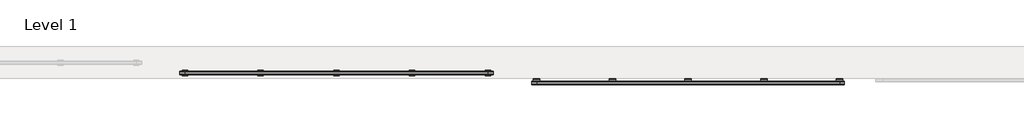
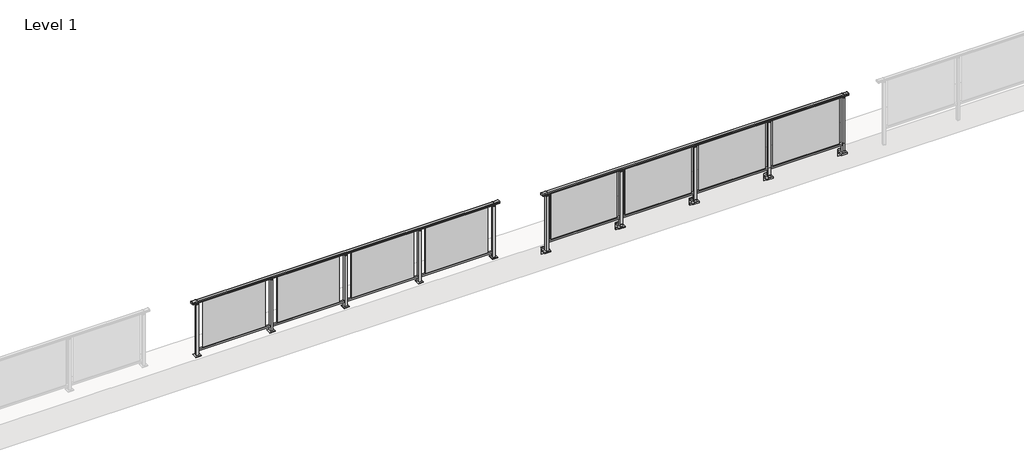
# One storey, part 42 of 64: 2 railings.
"""IFC4 building model written with IfcOpenShell, lengths in millimetres."""

from ifc_helpers import new_model, si_unit, point, frame, frame_2d, origin, origin_with_axes, place, context, project, spatial, polyline, circle_curve, trimmed, segment, composite_curve, outline, extrude, element, save
from ifc_brep_helpers import plane_surface, cylinder_surface, revolved_surface, advanced_brep

model = new_model("IFC4")

# Units and contexts
model_context = context("Model", 3, world=origin())
ifc_project = project(units=[si_unit("LENGTHUNIT", "METRE", prefix="MILLI")], contexts=[model_context])

# Site, building, storey
site = spatial("IfcSite", under=ifc_project)
building = spatial("IfcBuilding", under=site)
storey = spatial("IfcBuildingStorey", under=building, Name="Level 1", Elevation=0.0)

# Railings
placement = place(None, origin())
element("IfcRailing", 1, at=placement, inside=storey, context=model_context, shape_type="SolidModel", body=[
    advanced_brep(
    [(42910.0, 14842.8633756, 1095.6691182), (42910.0, 14847.6846828, 1081.1334092), (42910.0, 14846.7413744, 1069.2539035), (42910.0, 14848.6364177, 1061.4863007), (42910.0, 14846.9894799, 1060.384124), (42910.0, 14846.9894799, 1062.0), (42910.0, 14788.3798858, 1062.0), (42910.0, 14788.3798858, 1060.384124), (42910.0, 14786.732948, 1061.4863007), (42910.0, 14788.6279912, 1069.2539035), (42910.0, 14787.6846828, 1081.1334092), (42910.0, 14792.50599, 1095.6691182), (48690.0, 14842.8633756, 1095.6691182), (48690.0, 14792.50599, 1095.6691182), (48690.0, 14787.6846828, 1081.1334092), (48690.0, 14788.6279912, 1069.2539035), (48690.0, 14786.732948, 1061.4863007), (48690.0, 14788.3798858, 1060.384124), (48690.0, 14788.3798858, 1062.0), (48690.0, 14846.9894799, 1062.0), (48690.0, 14846.9894799, 1060.384124), (48690.0, 14848.6364177, 1061.4863007), (48690.0, 14846.7413744, 1069.2539035), (48690.0, 14847.6846828, 1081.1334092), (43000.0, 14842.8633756, 1095.6691182), (43000.0, 14847.6846828, 1081.1334092), (43000.0, 14846.7413744, 1069.2539035), (43000.0, 14848.6364177, 1061.4863007), (43000.0, 14846.9894799, 1060.384124), (43000.0, 14846.9894799, 1062.0), (43000.0, 14788.3798858, 1062.0), (43000.0, 14788.3798858, 1060.384124), (43000.0, 14786.732948, 1061.4863007), (43000.0, 14788.6279912, 1069.2539035), (43000.0, 14787.6846828, 1081.1334092), (43000.0, 14792.50599, 1095.6691182), (48600.0, 14842.8633756, 1095.6691182), (48600.0, 14847.6846828, 1081.1334092), (48600.0, 14846.7413744, 1069.2539035), (48600.0, 14848.6364177, 1061.4863007), (48600.0, 14846.9894799, 1060.384124), (48600.0, 14846.9894799, 1062.0), (48600.0, 14788.3798858, 1062.0), (48600.0, 14788.3798858, 1060.384124), (48600.0, 14786.732948, 1061.4863007), (48600.0, 14788.6279912, 1069.2539035), (48600.0, 14787.6846828, 1081.1334092), (48600.0, 14792.50599, 1095.6691182)],
    [
        (0, 1, circle_curve(frame((42910.0, 14839.6223845, 1086.526686), z_axis=(-1.0, 0.0, 0.0), x_axis=(0.0, -1.0, 0.0)), 9.6999015)),
        (1, 2, circle_curve(frame((42910.0, 14865.2252545, 1073.7633709), z_axis=(1.0, 0.0, 0.0), x_axis=(0.0, -1.0, 0.0)), 19.0260117)),
        (2, 3),
        (3, 4, circle_curve(frame((42910.0, 14847.7772073, 1060.9886194), z_axis=(-1.0, 0.0, 0.0), x_axis=(0.0, -1.0, 0.0)), 0.9929396)),
        (4, 5),
        (5, 6),
        (6, 7),
        (7, 8, circle_curve(frame((42910.0, 14787.5921584, 1060.9886194), z_axis=(-1.0, 0.0, 0.0), x_axis=(0.0, 1.0, 0.0)), 0.9929396)),
        (8, 9),
        (9, 10, circle_curve(frame((42910.0, 14770.1441111, 1073.7633709), z_axis=(1.0, 0.0, 0.0), x_axis=(0.0, 1.0, 0.0)), 19.0260117)),
        (10, 11, circle_curve(frame((42910.0, 14795.7469812, 1086.526686), z_axis=(-1.0, 0.0, 0.0), x_axis=(0.0, 1.0, 0.0)), 9.6999015)),
        (11, 0, circle_curve(frame((42910.0, 14817.6846828, 1024.6431628), z_axis=(-1.0, 0.0, 0.0), x_axis=(0.0, 1.0, 0.0)), 75.3568372)),
        (12, 13, circle_curve(frame((48690.0, 14817.6846828, 1024.6431628), z_axis=(1.0, 0.0, 0.0), x_axis=(0.0, 1.0, 0.0)), 75.3568372)),
        (13, 14, circle_curve(frame((48690.0, 14795.7469812, 1086.526686), z_axis=(1.0, 0.0, 0.0), x_axis=(0.0, 1.0, 0.0)), 9.6999015)),
        (14, 15, circle_curve(frame((48690.0, 14770.1441111, 1073.7633709), z_axis=(-1.0, 0.0, 0.0), x_axis=(0.0, 1.0, 0.0)), 19.0260117)),
        (15, 16),
        (16, 17, circle_curve(frame((48690.0, 14787.5921584, 1060.9886194), z_axis=(1.0, 0.0, 0.0), x_axis=(0.0, 1.0, 0.0)), 0.9929396)),
        (17, 18),
        (18, 19),
        (19, 20),
        (20, 21, circle_curve(frame((48690.0, 14847.7772073, 1060.9886194), z_axis=(1.0, 0.0, 0.0), x_axis=(0.0, -1.0, 0.0)), 0.9929396)),
        (21, 22),
        (22, 23, circle_curve(frame((48690.0, 14865.2252545, 1073.7633709), z_axis=(-1.0, 0.0, 0.0), x_axis=(0.0, -1.0, 0.0)), 19.0260117)),
        (23, 12, circle_curve(frame((48690.0, 14839.6223845, 1086.526686), z_axis=(1.0, 0.0, 0.0), x_axis=(0.0, -1.0, 0.0)), 9.6999015)),
        (0, 24),
        (24, 25, circle_curve(frame((43000.0, 14839.6223845, 1086.526686), z_axis=(-1.0, 0.0, 0.0), x_axis=(0.0, -1.0, 0.0)), 9.6999015)),
        (25, 1),
        (25, 26, circle_curve(frame((43000.0, 14865.2252545, 1073.7633709), z_axis=(1.0, 0.0, 0.0), x_axis=(0.0, -1.0, 0.0)), 19.0260117)),
        (26, 2),
        (26, 27),
        (27, 3),
        (27, 28, circle_curve(frame((43000.0, 14847.7772073, 1060.9886194), z_axis=(-1.0, 0.0, 0.0), x_axis=(0.0, -1.0, 0.0)), 0.9929396)),
        (28, 4),
        (28, 29),
        (29, 5),
        (29, 30),
        (30, 6),
        (30, 31),
        (31, 7),
        (31, 32, circle_curve(frame((43000.0, 14787.5921584, 1060.9886194), z_axis=(-1.0, 0.0, 0.0), x_axis=(0.0, 1.0, 0.0)), 0.9929396)),
        (32, 8),
        (32, 33),
        (33, 9),
        (33, 34, circle_curve(frame((43000.0, 14770.1441111, 1073.7633709), z_axis=(1.0, 0.0, 0.0), x_axis=(0.0, 1.0, 0.0)), 19.0260117)),
        (34, 10),
        (34, 35, circle_curve(frame((43000.0, 14795.7469812, 1086.526686), z_axis=(-1.0, 0.0, 0.0), x_axis=(0.0, 1.0, 0.0)), 9.6999015)),
        (35, 11),
        (35, 24, circle_curve(frame((43000.0, 14817.6846828, 1024.6431628), z_axis=(-1.0, 0.0, 0.0), x_axis=(0.0, 1.0, 0.0)), 75.3568372)),
        (24, 36),
        (36, 37, circle_curve(frame((48600.0, 14839.6223845, 1086.526686), z_axis=(-1.0, 0.0, 0.0), x_axis=(0.0, -1.0, 0.0)), 9.6999015)),
        (37, 25),
        (37, 38, circle_curve(frame((48600.0, 14865.2252545, 1073.7633709), z_axis=(1.0, 0.0, 0.0), x_axis=(0.0, -1.0, 0.0)), 19.0260117)),
        (38, 26),
        (38, 39),
        (39, 27),
        (39, 40, circle_curve(frame((48600.0, 14847.7772073, 1060.9886194), z_axis=(-1.0, 0.0, 0.0), x_axis=(0.0, -1.0, 0.0)), 0.9929396)),
        (40, 28),
        (40, 41),
        (41, 29),
        (41, 42),
        (42, 30),
        (42, 43),
        (43, 31),
        (43, 44, circle_curve(frame((48600.0, 14787.5921584, 1060.9886194), z_axis=(-1.0, 0.0, 0.0), x_axis=(0.0, 1.0, 0.0)), 0.9929396)),
        (44, 32),
        (44, 45),
        (45, 33),
        (45, 46, circle_curve(frame((48600.0, 14770.1441111, 1073.7633709), z_axis=(1.0, 0.0, 0.0), x_axis=(0.0, 1.0, 0.0)), 19.0260117)),
        (46, 34),
        (46, 47, circle_curve(frame((48600.0, 14795.7469812, 1086.526686), z_axis=(-1.0, 0.0, 0.0), x_axis=(0.0, 1.0, 0.0)), 9.6999015)),
        (47, 35),
        (47, 36, circle_curve(frame((48600.0, 14817.6846828, 1024.6431628), z_axis=(-1.0, 0.0, 0.0), x_axis=(0.0, 1.0, 0.0)), 75.3568372)),
        (36, 12),
        (23, 37),
        (22, 38),
        (21, 39),
        (20, 40),
        (19, 41),
        (18, 42),
        (17, 43),
        (16, 44),
        (15, 45),
        (14, 46),
        (13, 47),
    ],
    [
        plane_surface(frame((42910.0, 14817.6846828, 1100.0), z_axis=(-1.0, 0.0, 0.0), x_axis=(0.0, 1.0, 0.0))),
        plane_surface(frame((48690.0, 14817.6846828, 1100.0), z_axis=(1.0, 0.0, 0.0), x_axis=(0.0, 1.0, 0.0))),
        cylinder_surface(frame((42910.0, 14839.6223845, 1086.526686), z_axis=(-1.0, 0.0, 0.0), x_axis=(0.0, -1.0, 0.0)), 9.6999015),
        revolved_surface(polyline([(43000.0, 14846.1992428, 1073.7633709), (42910.0, 14846.1992428, 1073.7633709)]), (42910.0, 14865.2252545, 1073.7633709), (1.0, 0.0, 0.0)),
        plane_surface(frame((42910.0, 14846.7413744, 1069.2539035), z_axis=(0.0, 0.9715057689301543, 0.2370159086125439), x_axis=(1.0, 0.0, 0.0))),
        cylinder_surface(frame((42910.0, 14847.7772073, 1060.9886194), z_axis=(-1.0, 0.0, 0.0), x_axis=(0.0, -1.0, 0.0)), 0.9929396),
        plane_surface(frame((42910.0, 14846.9894799, 1060.384124), z_axis=(0.0, -1.0, 0.0), x_axis=(1.0, 0.0, 0.0))),
        plane_surface(frame((42910.0, 14846.9894799, 1062.0), z_axis=(0.0, 0.0, -1.0), x_axis=(1.0, 0.0, 0.0))),
        plane_surface(frame((42910.0, 14788.3798858, 1062.0), z_axis=(0.0, 1.0, 0.0), x_axis=(1.0, 0.0, 0.0))),
        cylinder_surface(frame((42910.0, 14787.5921584, 1060.9886194), z_axis=(-1.0, 0.0, 0.0), x_axis=(0.0, 1.0, 0.0)), 0.9929396),
        plane_surface(frame((42910.0, 14786.732948, 1061.4863007), z_axis=(0.0, -0.9715057689301543, 0.2370159086125439), x_axis=(1.0, 0.0, 0.0))),
        revolved_surface(polyline([(43000.0, 14789.1701228, 1073.7633709), (42910.0, 14789.1701228, 1073.7633709)]), (42910.0, 14770.1441111, 1073.7633709), (1.0, 0.0, 0.0)),
        cylinder_surface(frame((42910.0, 14795.7469812, 1086.526686), z_axis=(-1.0, 0.0, 0.0), x_axis=(0.0, 1.0, 0.0)), 9.6999015),
        cylinder_surface(frame((42910.0, 14817.6846828, 1024.6431628), z_axis=(-1.0, 0.0, 0.0), x_axis=(0.0, 1.0, 0.0)), 75.3568372),
        cylinder_surface(frame((43000.0, 14839.6223845, 1086.526686), z_axis=(-1.0, 0.0, 0.0), x_axis=(0.0, -1.0, 0.0)), 9.6999015),
        revolved_surface(polyline([(48600.0, 14846.1992428, 1073.7633709), (43000.0, 14846.1992428, 1073.7633709)]), (43000.0, 14865.2252545, 1073.7633709), (1.0, 0.0, 0.0)),
        plane_surface(frame((43000.0, 14846.7413744, 1069.2539035), z_axis=(0.0, 0.9715057689301543, 0.2370159086125439), x_axis=(1.0, 0.0, 0.0))),
        cylinder_surface(frame((43000.0, 14847.7772073, 1060.9886194), z_axis=(-1.0, 0.0, 0.0), x_axis=(0.0, -1.0, 0.0)), 0.9929396),
        plane_surface(frame((43000.0, 14846.9894799, 1060.384124), z_axis=(0.0, -1.0, 0.0), x_axis=(1.0, 0.0, 0.0))),
        plane_surface(frame((43000.0, 14846.9894799, 1062.0), z_axis=(0.0, 0.0, -1.0), x_axis=(1.0, 0.0, 0.0))),
        plane_surface(frame((43000.0, 14788.3798858, 1062.0), z_axis=(0.0, 1.0, 0.0), x_axis=(1.0, 0.0, 0.0))),
        cylinder_surface(frame((43000.0, 14787.5921584, 1060.9886194), z_axis=(-1.0, 0.0, 0.0), x_axis=(0.0, 1.0, 0.0)), 0.9929396),
        plane_surface(frame((43000.0, 14786.732948, 1061.4863007), z_axis=(0.0, -0.9715057689301543, 0.2370159086125439), x_axis=(1.0, 0.0, 0.0))),
        revolved_surface(polyline([(48600.0, 14789.1701228, 1073.7633709), (43000.0, 14789.1701228, 1073.7633709)]), (43000.0, 14770.1441111, 1073.7633709), (1.0, 0.0, 0.0)),
        cylinder_surface(frame((43000.0, 14795.7469812, 1086.526686), z_axis=(-1.0, 0.0, 0.0), x_axis=(0.0, 1.0, 0.0)), 9.6999015),
        cylinder_surface(frame((43000.0, 14817.6846828, 1024.6431628), z_axis=(-1.0, 0.0, 0.0), x_axis=(0.0, 1.0, 0.0)), 75.3568372),
        cylinder_surface(frame((48600.0, 14839.6223845, 1086.526686), z_axis=(-1.0, 0.0, 0.0), x_axis=(0.0, -1.0, 0.0)), 9.6999015),
        revolved_surface(polyline([(48690.0, 14846.1992428, 1073.7633709), (48600.0, 14846.1992428, 1073.7633709)]), (48600.0, 14865.2252545, 1073.7633709), (1.0, 0.0, 0.0)),
        plane_surface(frame((48600.0, 14846.7413744, 1069.2539035), z_axis=(0.0, 0.9715057689301543, 0.2370159086125439), x_axis=(1.0, 0.0, 0.0))),
        cylinder_surface(frame((48600.0, 14847.7772073, 1060.9886194), z_axis=(-1.0, 0.0, 0.0), x_axis=(0.0, -1.0, 0.0)), 0.9929396),
        plane_surface(frame((48600.0, 14846.9894799, 1060.384124), z_axis=(0.0, -1.0, 0.0), x_axis=(1.0, 0.0, 0.0))),
        plane_surface(frame((48600.0, 14846.9894799, 1062.0), z_axis=(0.0, 0.0, -1.0), x_axis=(1.0, 0.0, 0.0))),
        plane_surface(frame((48600.0, 14788.3798858, 1062.0), z_axis=(0.0, 1.0, 0.0), x_axis=(1.0, 0.0, 0.0))),
        cylinder_surface(frame((48600.0, 14787.5921584, 1060.9886194), z_axis=(-1.0, 0.0, 0.0), x_axis=(0.0, 1.0, 0.0)), 0.9929396),
        plane_surface(frame((48600.0, 14786.732948, 1061.4863007), z_axis=(0.0, -0.9715057689301543, 0.2370159086125439), x_axis=(1.0, 0.0, 0.0))),
        revolved_surface(polyline([(48690.0, 14789.1701228, 1073.7633709), (48600.0, 14789.1701228, 1073.7633709)]), (48600.0, 14770.1441111, 1073.7633709), (1.0, 0.0, 0.0)),
        cylinder_surface(frame((48600.0, 14795.7469812, 1086.526686), z_axis=(-1.0, 0.0, 0.0), x_axis=(0.0, 1.0, 0.0)), 9.6999015),
        cylinder_surface(frame((48600.0, 14817.6846828, 1024.6431628), z_axis=(-1.0, 0.0, 0.0), x_axis=(0.0, 1.0, 0.0)), 75.3568372),
    ],
    [
        (0, [[1, 2, 3, 4, 5, 6, 7, 8, 9, 10, 11, 12]]),
        (1, [[13, 14, 15, 16, 17, 18, 19, 20, 21, 22, 23, 24]]),
        (2, [[-1, 25, 26, 27]]),
        (3, [[-2, -27, 28, 29]]),
        (4, [[-3, -29, 30, 31]]),
        (5, [[-4, -31, 32, 33]]),
        (6, [[-5, -33, 34, 35]]),
        (7, [[-6, -35, 36, 37]]),
        (8, [[-7, -37, 38, 39]]),
        (9, [[-8, -39, 40, 41]]),
        (10, [[-9, -41, 42, 43]]),
        (11, [[-10, -43, 44, 45]]),
        (12, [[-11, -45, 46, 47]]),
        (13, [[-12, -47, 48, -25]]),
        (14, [[-26, 49, 50, 51]]),
        (15, [[-28, -51, 52, 53]]),
        (16, [[-30, -53, 54, 55]]),
        (17, [[-32, -55, 56, 57]]),
        (18, [[-34, -57, 58, 59]]),
        (19, [[-36, -59, 60, 61]]),
        (20, [[-38, -61, 62, 63]]),
        (21, [[-40, -63, 64, 65]]),
        (22, [[-42, -65, 66, 67]]),
        (23, [[-44, -67, 68, 69]]),
        (24, [[-46, -69, 70, 71]]),
        (25, [[-48, -71, 72, -49]]),
        (26, [[-50, 73, -24, 74]]),
        (27, [[-52, -74, -23, 75]]),
        (28, [[-54, -75, -22, 76]]),
        (29, [[-56, -76, -21, 77]]),
        (30, [[-58, -77, -20, 78]]),
        (31, [[-60, -78, -19, 79]]),
        (32, [[-62, -79, -18, 80]]),
        (33, [[-64, -80, -17, 81]]),
        (34, [[-66, -81, -16, 82]]),
        (35, [[-68, -82, -15, 83]]),
        (36, [[-70, -83, -14, 84]]),
        (37, [[-72, -84, -13, -73]]),
    ],
),
    extrude(outline(polyline([(43000.0, 14800.1846828), (43000.0, 14835.1846828), (48600.0, 14835.1846828), (48600.0, 14800.1846828), (43000.0, 14800.1846828)])), frame((0.0, 0.0, 95.0), z_axis=(0.0, 0.0, 1.0), x_axis=(1.0, 0.0, 0.0)), (0.0, 0.0, 1.0), 30.0),
    extrude(outline(polyline([(47272.5, 14815.9094929), (47272.5, 14821.9094929), (48527.5, 14821.9094929), (48527.5, 14815.9094929), (47272.5, 14815.9094929)])), frame((0.0, 0.0, 125.0), z_axis=(0.0, 0.0, 1.0), x_axis=(1.0, 0.0, 0.0)), (0.0, 0.0, 1.0), 930.0),
    extrude(outline(composite_curve([segment(polyline([(14850.1846828, -70.0), (14884.1846828, -63.0), (14884.1846828, -32.5), (14900.1846828, -32.5), (14900.1846828, -167.5), (14884.1846828, -167.5), (14884.1846828, -113.5)]), True, "CONTINUOUS"), segment(trimmed(circle_curve(frame_2d((14864.1846828, -113.5)), 20.0), [point((14884.1846828, -113.5))], [point((14864.1846828, -93.5))], True, "CARTESIAN"), True, "CONTINUOUS"), segment(polyline([(14864.1846828, -93.5), (14780.1846828, -93.5), (14780.1846828, -70.0), (14850.1846828, -70.0)]), True, "CONTINUOUS")], self_intersect=False)), frame((47140.0, 0.0, 0.0), z_axis=(1.0, 0.0, 0.0), x_axis=(0.0, 1.0, 0.0)), (0.0, 0.0, 1.0), 120.0),
    extrude(outline(polyline([(47222.5, 14840.1846828), (47222.5, 14795.1846828), (47177.5, 14795.1846828), (47177.5, 14840.1846828), (47222.5, 14840.1846828)])), frame((0.0, 0.0, -70.0), z_axis=(0.0, 0.0, 1.0), x_axis=(1.0, 0.0, 0.0)), (0.0, 0.0, 1.0), 1097.0),
    extrude(outline(polyline([(47210.0, 14827.6846828), (47210.0, 14807.6846828), (47190.0, 14807.6846828), (47190.0, 14827.6846828), (47210.0, 14827.6846828)])), frame((0.0, 0.0, 1035.0), z_axis=(0.0, 0.0, 1.0), x_axis=(1.0, 0.0, 0.0)), (0.0, 0.0, 1.0), 20.0),
    extrude(outline(polyline([(47222.5, 14840.1846828), (47222.5, 14795.1846828), (47177.5, 14795.1846828), (47177.5, 14840.1846828), (47222.5, 14840.1846828)])), frame((0.0, 0.0, 1027.0), z_axis=(0.0, 0.0, 1.0), x_axis=(1.0, 0.0, 0.0)), (0.0, 0.0, 1.0), 8.0),
    extrude(outline(polyline([(45872.5, 14815.9094929), (45872.5, 14821.9094929), (47127.5, 14821.9094929), (47127.5, 14815.9094929), (45872.5, 14815.9094929)])), frame((0.0, 0.0, 125.0), z_axis=(0.0, 0.0, 1.0), x_axis=(1.0, 0.0, 0.0)), (0.0, 0.0, 1.0), 930.0),
    extrude(outline(composite_curve([segment(polyline([(14850.1846828, -70.0), (14884.1846828, -63.0), (14884.1846828, -32.5), (14900.1846828, -32.5), (14900.1846828, -167.5), (14884.1846828, -167.5), (14884.1846828, -113.5)]), True, "CONTINUOUS"), segment(trimmed(circle_curve(frame_2d((14864.1846828, -113.5)), 20.0), [point((14884.1846828, -113.5))], [point((14864.1846828, -93.5))], True, "CARTESIAN"), True, "CONTINUOUS"), segment(polyline([(14864.1846828, -93.5), (14780.1846828, -93.5), (14780.1846828, -70.0), (14850.1846828, -70.0)]), True, "CONTINUOUS")], self_intersect=False)), frame((45740.0, 0.0, 0.0), z_axis=(1.0, 0.0, 0.0), x_axis=(0.0, 1.0, 0.0)), (0.0, 0.0, 1.0), 120.0),
    extrude(outline(polyline([(45822.5, 14840.1846828), (45822.5, 14795.1846828), (45777.5, 14795.1846828), (45777.5, 14840.1846828), (45822.5, 14840.1846828)])), frame((0.0, 0.0, -70.0), z_axis=(0.0, 0.0, 1.0), x_axis=(1.0, 0.0, 0.0)), (0.0, 0.0, 1.0), 1097.0),
    extrude(outline(polyline([(45810.0, 14827.6846828), (45810.0, 14807.6846828), (45790.0, 14807.6846828), (45790.0, 14827.6846828), (45810.0, 14827.6846828)])), frame((0.0, 0.0, 1035.0), z_axis=(0.0, 0.0, 1.0), x_axis=(1.0, 0.0, 0.0)), (0.0, 0.0, 1.0), 20.0),
    extrude(outline(polyline([(45822.5, 14840.1846828), (45822.5, 14795.1846828), (45777.5, 14795.1846828), (45777.5, 14840.1846828), (45822.5, 14840.1846828)])), frame((0.0, 0.0, 1027.0), z_axis=(0.0, 0.0, 1.0), x_axis=(1.0, 0.0, 0.0)), (0.0, 0.0, 1.0), 8.0),
    extrude(outline(polyline([(44472.5, 14815.9094929), (44472.5, 14821.9094929), (45727.5, 14821.9094929), (45727.5, 14815.9094929), (44472.5, 14815.9094929)])), frame((0.0, 0.0, 125.0), z_axis=(0.0, 0.0, 1.0), x_axis=(1.0, 0.0, 0.0)), (0.0, 0.0, 1.0), 930.0),
    extrude(outline(composite_curve([segment(polyline([(14850.1846828, -70.0), (14884.1846828, -63.0), (14884.1846828, -32.5), (14900.1846828, -32.5), (14900.1846828, -167.5), (14884.1846828, -167.5), (14884.1846828, -113.5)]), True, "CONTINUOUS"), segment(trimmed(circle_curve(frame_2d((14864.1846828, -113.5)), 20.0), [point((14884.1846828, -113.5))], [point((14864.1846828, -93.5))], True, "CARTESIAN"), True, "CONTINUOUS"), segment(polyline([(14864.1846828, -93.5), (14780.1846828, -93.5), (14780.1846828, -70.0), (14850.1846828, -70.0)]), True, "CONTINUOUS")], self_intersect=False)), frame((44340.0, 0.0, 0.0), z_axis=(1.0, 0.0, 0.0), x_axis=(0.0, 1.0, 0.0)), (0.0, 0.0, 1.0), 120.0),
    extrude(outline(polyline([(44422.5, 14840.1846828), (44422.5, 14795.1846828), (44377.5, 14795.1846828), (44377.5, 14840.1846828), (44422.5, 14840.1846828)])), frame((0.0, 0.0, -70.0), z_axis=(0.0, 0.0, 1.0), x_axis=(1.0, 0.0, 0.0)), (0.0, 0.0, 1.0), 1097.0),
    extrude(outline(polyline([(44410.0, 14827.6846828), (44410.0, 14807.6846828), (44390.0, 14807.6846828), (44390.0, 14827.6846828), (44410.0, 14827.6846828)])), frame((0.0, 0.0, 1035.0), z_axis=(0.0, 0.0, 1.0), x_axis=(1.0, 0.0, 0.0)), (0.0, 0.0, 1.0), 20.0),
    extrude(outline(polyline([(44422.5, 14840.1846828), (44422.5, 14795.1846828), (44377.5, 14795.1846828), (44377.5, 14840.1846828), (44422.5, 14840.1846828)])), frame((0.0, 0.0, 1027.0), z_axis=(0.0, 0.0, 1.0), x_axis=(1.0, 0.0, 0.0)), (0.0, 0.0, 1.0), 8.0),
    extrude(outline(polyline([(43072.5, 14815.9094929), (43072.5, 14821.9094929), (44327.5, 14821.9094929), (44327.5, 14815.9094929), (43072.5, 14815.9094929)])), frame((0.0, 0.0, 125.0), z_axis=(0.0, 0.0, 1.0), x_axis=(1.0, 0.0, 0.0)), (0.0, 0.0, 1.0), 930.0),
    extrude(outline(composite_curve([segment(polyline([(14850.1846828, -70.0), (14884.1846828, -63.0), (14884.1846828, -32.5), (14900.1846828, -32.5), (14900.1846828, -167.5), (14884.1846828, -167.5), (14884.1846828, -113.5)]), True, "CONTINUOUS"), segment(trimmed(circle_curve(frame_2d((14864.1846828, -113.5)), 20.0), [point((14884.1846828, -113.5))], [point((14864.1846828, -93.5))], True, "CARTESIAN"), True, "CONTINUOUS"), segment(polyline([(14864.1846828, -93.5), (14780.1846828, -93.5), (14780.1846828, -70.0), (14850.1846828, -70.0)]), True, "CONTINUOUS")], self_intersect=False)), frame((48540.0, 0.0, 0.0), z_axis=(1.0, 0.0, 0.0), x_axis=(0.0, 1.0, 0.0)), (0.0, 0.0, 1.0), 120.0),
    extrude(outline(polyline([(48622.5, 14840.1846828), (48622.5, 14795.1846828), (48577.5, 14795.1846828), (48577.5, 14840.1846828), (48622.5, 14840.1846828)])), frame((0.0, 0.0, -70.0), z_axis=(0.0, 0.0, 1.0), x_axis=(1.0, 0.0, 0.0)), (0.0, 0.0, 1.0), 1097.0),
    extrude(outline(polyline([(48610.0, 14827.6846828), (48610.0, 14807.6846828), (48590.0, 14807.6846828), (48590.0, 14827.6846828), (48610.0, 14827.6846828)])), frame((0.0, 0.0, 1035.0), z_axis=(0.0, 0.0, 1.0), x_axis=(1.0, 0.0, 0.0)), (0.0, 0.0, 1.0), 20.0),
    extrude(outline(polyline([(48622.5, 14840.1846828), (48622.5, 14795.1846828), (48577.5, 14795.1846828), (48577.5, 14840.1846828), (48622.5, 14840.1846828)])), frame((0.0, 0.0, 1027.0), z_axis=(0.0, 0.0, 1.0), x_axis=(1.0, 0.0, 0.0)), (0.0, 0.0, 1.0), 8.0),
    extrude(outline(composite_curve([segment(polyline([(14850.1846828, -70.0), (14884.1846828, -63.0), (14884.1846828, -32.5), (14900.1846828, -32.5), (14900.1846828, -167.5), (14884.1846828, -167.5), (14884.1846828, -113.5)]), True, "CONTINUOUS"), segment(trimmed(circle_curve(frame_2d((14864.1846828, -113.5)), 20.0), [point((14884.1846828, -113.5))], [point((14864.1846828, -93.5))], True, "CARTESIAN"), True, "CONTINUOUS"), segment(polyline([(14864.1846828, -93.5), (14780.1846828, -93.5), (14780.1846828, -70.0), (14850.1846828, -70.0)]), True, "CONTINUOUS")], self_intersect=False)), frame((42940.0, 0.0, 0.0), z_axis=(1.0, 0.0, 0.0), x_axis=(0.0, 1.0, 0.0)), (0.0, 0.0, 1.0), 120.0),
    extrude(outline(polyline([(43022.5, 14840.1846828), (43022.5, 14795.1846828), (42977.5, 14795.1846828), (42977.5, 14840.1846828), (43022.5, 14840.1846828)])), frame((0.0, 0.0, -70.0), z_axis=(0.0, 0.0, 1.0), x_axis=(1.0, 0.0, 0.0)), (0.0, 0.0, 1.0), 1097.0),
    extrude(outline(polyline([(43010.0, 14827.6846828), (43010.0, 14807.6846828), (42990.0, 14807.6846828), (42990.0, 14827.6846828), (43010.0, 14827.6846828)])), frame((0.0, 0.0, 1035.0), z_axis=(0.0, 0.0, 1.0), x_axis=(1.0, 0.0, 0.0)), (0.0, 0.0, 1.0), 20.0),
    extrude(outline(polyline([(43022.5, 14840.1846828), (43022.5, 14795.1846828), (42977.5, 14795.1846828), (42977.5, 14840.1846828), (43022.5, 14840.1846828)])), frame((0.0, 0.0, 1027.0), z_axis=(0.0, 0.0, 1.0), x_axis=(1.0, 0.0, 0.0)), (0.0, 0.0, 1.0), 8.0),
])
element("IfcRailing", 2, at=placement, inside=storey, context=model_context, shape_type="SolidModel", body=[
    advanced_brep(
    [(36400.0, 15025.3633756, 1095.6691182), (36400.0, 15030.1846828, 1081.1334092), (36400.0, 15029.2413744, 1069.2539035), (36400.0, 15031.1364177, 1061.4863007), (36400.0, 15029.4894799, 1060.384124), (36400.0, 15029.4894799, 1062.0), (36400.0, 14970.8798858, 1062.0), (36400.0, 14970.8798858, 1060.384124), (36400.0, 14969.232948, 1061.4863007), (36400.0, 14971.1279912, 1069.2539035), (36400.0, 14970.1846828, 1081.1334092), (36400.0, 14975.00599, 1095.6691182), (42200.0, 15025.3633756, 1095.6691182), (42200.0, 14975.00599, 1095.6691182), (42200.0, 14970.1846828, 1081.1334092), (42200.0, 14971.1279912, 1069.2539035), (42200.0, 14969.232948, 1061.4863007), (42200.0, 14970.8798858, 1060.384124), (42200.0, 14970.8798858, 1062.0), (42200.0, 15029.4894799, 1062.0), (42200.0, 15029.4894799, 1060.384124), (42200.0, 15031.1364177, 1061.4863007), (42200.0, 15029.2413744, 1069.2539035), (42200.0, 15030.1846828, 1081.1334092), (36500.0, 15025.3633756, 1095.6691182), (36500.0, 15030.1846828, 1081.1334092), (36500.0, 15029.2413744, 1069.2539035), (36500.0, 15031.1364177, 1061.4863007), (36500.0, 15029.4894799, 1060.384124), (36500.0, 15029.4894799, 1062.0), (36500.0, 14970.8798858, 1062.0), (36500.0, 14970.8798858, 1060.384124), (36500.0, 14969.232948, 1061.4863007), (36500.0, 14971.1279912, 1069.2539035), (36500.0, 14970.1846828, 1081.1334092), (36500.0, 14975.00599, 1095.6691182), (42100.0, 15025.3633756, 1095.6691182), (42100.0, 15030.1846828, 1081.1334092), (42100.0, 15029.2413744, 1069.2539035), (42100.0, 15031.1364177, 1061.4863007), (42100.0, 15029.4894799, 1060.384124), (42100.0, 15029.4894799, 1062.0), (42100.0, 14970.8798858, 1062.0), (42100.0, 14970.8798858, 1060.384124), (42100.0, 14969.232948, 1061.4863007), (42100.0, 14971.1279912, 1069.2539035), (42100.0, 14970.1846828, 1081.1334092), (42100.0, 14975.00599, 1095.6691182)],
    [
        (0, 1, circle_curve(frame((36400.0, 15022.1223845, 1086.526686), z_axis=(-1.0, 0.0, 0.0), x_axis=(0.0, -1.0, 0.0)), 9.6999015)),
        (1, 2, circle_curve(frame((36400.0, 15047.7252545, 1073.7633709), z_axis=(1.0, 0.0, 0.0), x_axis=(0.0, -1.0, 0.0)), 19.0260117)),
        (2, 3),
        (3, 4, circle_curve(frame((36400.0, 15030.2772073, 1060.9886194), z_axis=(-1.0, 0.0, 0.0), x_axis=(0.0, -1.0, 0.0)), 0.9929396)),
        (4, 5),
        (5, 6),
        (6, 7),
        (7, 8, circle_curve(frame((36400.0, 14970.0921584, 1060.9886194), z_axis=(-1.0, 0.0, 0.0), x_axis=(0.0, 1.0, 0.0)), 0.9929396)),
        (8, 9),
        (9, 10, circle_curve(frame((36400.0, 14952.6441111, 1073.7633709), z_axis=(1.0, 0.0, 0.0), x_axis=(0.0, 1.0, 0.0)), 19.0260117)),
        (10, 11, circle_curve(frame((36400.0, 14978.2469812, 1086.526686), z_axis=(-1.0, 0.0, 0.0), x_axis=(0.0, 1.0, 0.0)), 9.6999015)),
        (11, 0, circle_curve(frame((36400.0, 15000.1846828, 1024.6431628), z_axis=(-1.0, 0.0, 0.0), x_axis=(0.0, 1.0, 0.0)), 75.3568372)),
        (12, 13, circle_curve(frame((42200.0, 15000.1846828, 1024.6431628), z_axis=(1.0, 0.0, 0.0), x_axis=(0.0, 1.0, 0.0)), 75.3568372)),
        (13, 14, circle_curve(frame((42200.0, 14978.2469812, 1086.526686), z_axis=(1.0, 0.0, 0.0), x_axis=(0.0, 1.0, 0.0)), 9.6999015)),
        (14, 15, circle_curve(frame((42200.0, 14952.6441111, 1073.7633709), z_axis=(-1.0, 0.0, 0.0), x_axis=(0.0, 1.0, 0.0)), 19.0260117)),
        (15, 16),
        (16, 17, circle_curve(frame((42200.0, 14970.0921584, 1060.9886194), z_axis=(1.0, 0.0, 0.0), x_axis=(0.0, 1.0, 0.0)), 0.9929396)),
        (17, 18),
        (18, 19),
        (19, 20),
        (20, 21, circle_curve(frame((42200.0, 15030.2772073, 1060.9886194), z_axis=(1.0, 0.0, 0.0), x_axis=(0.0, -1.0, 0.0)), 0.9929396)),
        (21, 22),
        (22, 23, circle_curve(frame((42200.0, 15047.7252545, 1073.7633709), z_axis=(-1.0, 0.0, 0.0), x_axis=(0.0, -1.0, 0.0)), 19.0260117)),
        (23, 12, circle_curve(frame((42200.0, 15022.1223845, 1086.526686), z_axis=(1.0, 0.0, 0.0), x_axis=(0.0, -1.0, 0.0)), 9.6999015)),
        (0, 24),
        (24, 25, circle_curve(frame((36500.0, 15022.1223845, 1086.526686), z_axis=(-1.0, 0.0, 0.0), x_axis=(0.0, -1.0, 0.0)), 9.6999015)),
        (25, 1),
        (25, 26, circle_curve(frame((36500.0, 15047.7252545, 1073.7633709), z_axis=(1.0, 0.0, 0.0), x_axis=(0.0, -1.0, 0.0)), 19.0260117)),
        (26, 2),
        (26, 27),
        (27, 3),
        (27, 28, circle_curve(frame((36500.0, 15030.2772073, 1060.9886194), z_axis=(-1.0, 0.0, 0.0), x_axis=(0.0, -1.0, 0.0)), 0.9929396)),
        (28, 4),
        (28, 29),
        (29, 5),
        (29, 30),
        (30, 6),
        (30, 31),
        (31, 7),
        (31, 32, circle_curve(frame((36500.0, 14970.0921584, 1060.9886194), z_axis=(-1.0, 0.0, 0.0), x_axis=(0.0, 1.0, 0.0)), 0.9929396)),
        (32, 8),
        (32, 33),
        (33, 9),
        (33, 34, circle_curve(frame((36500.0, 14952.6441111, 1073.7633709), z_axis=(1.0, 0.0, 0.0), x_axis=(0.0, 1.0, 0.0)), 19.0260117)),
        (34, 10),
        (34, 35, circle_curve(frame((36500.0, 14978.2469812, 1086.526686), z_axis=(-1.0, 0.0, 0.0), x_axis=(0.0, 1.0, 0.0)), 9.6999015)),
        (35, 11),
        (35, 24, circle_curve(frame((36500.0, 15000.1846828, 1024.6431628), z_axis=(-1.0, 0.0, 0.0), x_axis=(0.0, 1.0, 0.0)), 75.3568372)),
        (24, 36),
        (36, 37, circle_curve(frame((42100.0, 15022.1223845, 1086.526686), z_axis=(-1.0, 0.0, 0.0), x_axis=(0.0, -1.0, 0.0)), 9.6999015)),
        (37, 25),
        (37, 38, circle_curve(frame((42100.0, 15047.7252545, 1073.7633709), z_axis=(1.0, 0.0, 0.0), x_axis=(0.0, -1.0, 0.0)), 19.0260117)),
        (38, 26),
        (38, 39),
        (39, 27),
        (39, 40, circle_curve(frame((42100.0, 15030.2772073, 1060.9886194), z_axis=(-1.0, 0.0, 0.0), x_axis=(0.0, -1.0, 0.0)), 0.9929396)),
        (40, 28),
        (40, 41),
        (41, 29),
        (41, 42),
        (42, 30),
        (42, 43),
        (43, 31),
        (43, 44, circle_curve(frame((42100.0, 14970.0921584, 1060.9886194), z_axis=(-1.0, 0.0, 0.0), x_axis=(0.0, 1.0, 0.0)), 0.9929396)),
        (44, 32),
        (44, 45),
        (45, 33),
        (45, 46, circle_curve(frame((42100.0, 14952.6441111, 1073.7633709), z_axis=(1.0, 0.0, 0.0), x_axis=(0.0, 1.0, 0.0)), 19.0260117)),
        (46, 34),
        (46, 47, circle_curve(frame((42100.0, 14978.2469812, 1086.526686), z_axis=(-1.0, 0.0, 0.0), x_axis=(0.0, 1.0, 0.0)), 9.6999015)),
        (47, 35),
        (47, 36, circle_curve(frame((42100.0, 15000.1846828, 1024.6431628), z_axis=(-1.0, 0.0, 0.0), x_axis=(0.0, 1.0, 0.0)), 75.3568372)),
        (36, 12),
        (23, 37),
        (22, 38),
        (21, 39),
        (20, 40),
        (19, 41),
        (18, 42),
        (17, 43),
        (16, 44),
        (15, 45),
        (14, 46),
        (13, 47),
    ],
    [
        plane_surface(frame((36400.0, 15000.1846828, 1100.0), z_axis=(-1.0, 0.0, 0.0), x_axis=(0.0, 1.0, 0.0))),
        plane_surface(frame((42200.0, 15000.1846828, 1100.0), z_axis=(1.0, 0.0, 0.0), x_axis=(0.0, 1.0, 0.0))),
        cylinder_surface(frame((36400.0, 15022.1223845, 1086.526686), z_axis=(-1.0, 0.0, 0.0), x_axis=(0.0, -1.0, 0.0)), 9.6999015),
        revolved_surface(polyline([(36500.0, 15028.6992428, 1073.7633709), (36400.0, 15028.6992428, 1073.7633709)]), (36400.0, 15047.7252545, 1073.7633709), (1.0, 0.0, 0.0)),
        plane_surface(frame((36400.0, 15029.2413744, 1069.2539035), z_axis=(0.0, 0.9715057689301543, 0.2370159086125439), x_axis=(1.0, 0.0, 0.0))),
        cylinder_surface(frame((36400.0, 15030.2772073, 1060.9886194), z_axis=(-1.0, 0.0, 0.0), x_axis=(0.0, -1.0, 0.0)), 0.9929396),
        plane_surface(frame((36400.0, 15029.4894799, 1060.384124), z_axis=(0.0, -1.0, 0.0), x_axis=(1.0, 0.0, 0.0))),
        plane_surface(frame((36400.0, 15029.4894799, 1062.0), z_axis=(0.0, 0.0, -1.0), x_axis=(1.0, 0.0, 0.0))),
        plane_surface(frame((36400.0, 14970.8798858, 1062.0), z_axis=(0.0, 1.0, 0.0), x_axis=(1.0, 0.0, 0.0))),
        cylinder_surface(frame((36400.0, 14970.0921584, 1060.9886194), z_axis=(-1.0, 0.0, 0.0), x_axis=(0.0, 1.0, 0.0)), 0.9929396),
        plane_surface(frame((36400.0, 14969.232948, 1061.4863007), z_axis=(0.0, -0.9715057689301543, 0.2370159086125439), x_axis=(1.0, 0.0, 0.0))),
        revolved_surface(polyline([(36500.0, 14971.6701228, 1073.7633709), (36400.0, 14971.6701228, 1073.7633709)]), (36400.0, 14952.6441111, 1073.7633709), (1.0, 0.0, 0.0)),
        cylinder_surface(frame((36400.0, 14978.2469812, 1086.526686), z_axis=(-1.0, 0.0, 0.0), x_axis=(0.0, 1.0, 0.0)), 9.6999015),
        cylinder_surface(frame((36400.0, 15000.1846828, 1024.6431628), z_axis=(-1.0, 0.0, 0.0), x_axis=(0.0, 1.0, 0.0)), 75.3568372),
        cylinder_surface(frame((36500.0, 15022.1223845, 1086.526686), z_axis=(-1.0, 0.0, 0.0), x_axis=(0.0, -1.0, 0.0)), 9.6999015),
        revolved_surface(polyline([(42100.0, 15028.6992428, 1073.7633709), (36500.0, 15028.6992428, 1073.7633709)]), (36500.0, 15047.7252545, 1073.7633709), (1.0, 0.0, 0.0)),
        plane_surface(frame((36500.0, 15029.2413744, 1069.2539035), z_axis=(0.0, 0.9715057689301543, 0.2370159086125439), x_axis=(1.0, 0.0, 0.0))),
        cylinder_surface(frame((36500.0, 15030.2772073, 1060.9886194), z_axis=(-1.0, 0.0, 0.0), x_axis=(0.0, -1.0, 0.0)), 0.9929396),
        plane_surface(frame((36500.0, 15029.4894799, 1060.384124), z_axis=(0.0, -1.0, 0.0), x_axis=(1.0, 0.0, 0.0))),
        plane_surface(frame((36500.0, 15029.4894799, 1062.0), z_axis=(0.0, 0.0, -1.0), x_axis=(1.0, 0.0, 0.0))),
        plane_surface(frame((36500.0, 14970.8798858, 1062.0), z_axis=(0.0, 1.0, 0.0), x_axis=(1.0, 0.0, 0.0))),
        cylinder_surface(frame((36500.0, 14970.0921584, 1060.9886194), z_axis=(-1.0, 0.0, 0.0), x_axis=(0.0, 1.0, 0.0)), 0.9929396),
        plane_surface(frame((36500.0, 14969.232948, 1061.4863007), z_axis=(0.0, -0.9715057689301543, 0.2370159086125439), x_axis=(1.0, 0.0, 0.0))),
        revolved_surface(polyline([(42100.0, 14971.6701228, 1073.7633709), (36500.0, 14971.6701228, 1073.7633709)]), (36500.0, 14952.6441111, 1073.7633709), (1.0, 0.0, 0.0)),
        cylinder_surface(frame((36500.0, 14978.2469812, 1086.526686), z_axis=(-1.0, 0.0, 0.0), x_axis=(0.0, 1.0, 0.0)), 9.6999015),
        cylinder_surface(frame((36500.0, 15000.1846828, 1024.6431628), z_axis=(-1.0, 0.0, 0.0), x_axis=(0.0, 1.0, 0.0)), 75.3568372),
        cylinder_surface(frame((42100.0, 15022.1223845, 1086.526686), z_axis=(-1.0, 0.0, 0.0), x_axis=(0.0, -1.0, 0.0)), 9.6999015),
        revolved_surface(polyline([(42200.0, 15028.6992428, 1073.7633709), (42100.0, 15028.6992428, 1073.7633709)]), (42100.0, 15047.7252545, 1073.7633709), (1.0, 0.0, 0.0)),
        plane_surface(frame((42100.0, 15029.2413744, 1069.2539035), z_axis=(0.0, 0.9715057689301543, 0.2370159086125439), x_axis=(1.0, 0.0, 0.0))),
        cylinder_surface(frame((42100.0, 15030.2772073, 1060.9886194), z_axis=(-1.0, 0.0, 0.0), x_axis=(0.0, -1.0, 0.0)), 0.9929396),
        plane_surface(frame((42100.0, 15029.4894799, 1060.384124), z_axis=(0.0, -1.0, 0.0), x_axis=(1.0, 0.0, 0.0))),
        plane_surface(frame((42100.0, 15029.4894799, 1062.0), z_axis=(0.0, 0.0, -1.0), x_axis=(1.0, 0.0, 0.0))),
        plane_surface(frame((42100.0, 14970.8798858, 1062.0), z_axis=(0.0, 1.0, 0.0), x_axis=(1.0, 0.0, 0.0))),
        cylinder_surface(frame((42100.0, 14970.0921584, 1060.9886194), z_axis=(-1.0, 0.0, 0.0), x_axis=(0.0, 1.0, 0.0)), 0.9929396),
        plane_surface(frame((42100.0, 14969.232948, 1061.4863007), z_axis=(0.0, -0.9715057689301543, 0.2370159086125439), x_axis=(1.0, 0.0, 0.0))),
        revolved_surface(polyline([(42200.0, 14971.6701228, 1073.7633709), (42100.0, 14971.6701228, 1073.7633709)]), (42100.0, 14952.6441111, 1073.7633709), (1.0, 0.0, 0.0)),
        cylinder_surface(frame((42100.0, 14978.2469812, 1086.526686), z_axis=(-1.0, 0.0, 0.0), x_axis=(0.0, 1.0, 0.0)), 9.6999015),
        cylinder_surface(frame((42100.0, 15000.1846828, 1024.6431628), z_axis=(-1.0, 0.0, 0.0), x_axis=(0.0, 1.0, 0.0)), 75.3568372),
    ],
    [
        (0, [[1, 2, 3, 4, 5, 6, 7, 8, 9, 10, 11, 12]]),
        (1, [[13, 14, 15, 16, 17, 18, 19, 20, 21, 22, 23, 24]]),
        (2, [[-1, 25, 26, 27]]),
        (3, [[-2, -27, 28, 29]]),
        (4, [[-3, -29, 30, 31]]),
        (5, [[-4, -31, 32, 33]]),
        (6, [[-5, -33, 34, 35]]),
        (7, [[-6, -35, 36, 37]]),
        (8, [[-7, -37, 38, 39]]),
        (9, [[-8, -39, 40, 41]]),
        (10, [[-9, -41, 42, 43]]),
        (11, [[-10, -43, 44, 45]]),
        (12, [[-11, -45, 46, 47]]),
        (13, [[-12, -47, 48, -25]]),
        (14, [[-26, 49, 50, 51]]),
        (15, [[-28, -51, 52, 53]]),
        (16, [[-30, -53, 54, 55]]),
        (17, [[-32, -55, 56, 57]]),
        (18, [[-34, -57, 58, 59]]),
        (19, [[-36, -59, 60, 61]]),
        (20, [[-38, -61, 62, 63]]),
        (21, [[-40, -63, 64, 65]]),
        (22, [[-42, -65, 66, 67]]),
        (23, [[-44, -67, 68, 69]]),
        (24, [[-46, -69, 70, 71]]),
        (25, [[-48, -71, 72, -49]]),
        (26, [[-50, 73, -24, 74]]),
        (27, [[-52, -74, -23, 75]]),
        (28, [[-54, -75, -22, 76]]),
        (29, [[-56, -76, -21, 77]]),
        (30, [[-58, -77, -20, 78]]),
        (31, [[-60, -78, -19, 79]]),
        (32, [[-62, -79, -18, 80]]),
        (33, [[-64, -80, -17, 81]]),
        (34, [[-66, -81, -16, 82]]),
        (35, [[-68, -82, -15, 83]]),
        (36, [[-70, -83, -14, 84]]),
        (37, [[-72, -84, -13, -73]]),
    ],
),
    extrude(outline(polyline([(36500.0, 14982.6846828), (36500.0, 15017.6846828), (42100.0, 15017.6846828), (42100.0, 14982.6846828), (36500.0, 14982.6846828)])), frame((0.0, 0.0, 95.0), z_axis=(0.0, 0.0, 1.0), x_axis=(1.0, 0.0, 0.0)), (0.0, 0.0, 1.0), 30.0),
    extrude(outline(polyline([(40810.0, 15005.9598727), (41990.0, 15005.9598727), (41990.0, 14995.9598727), (40810.0, 14995.9598727), (40810.0, 15005.9598727)])), frame((0.0, 0.0, 125.0), z_axis=(0.0, 0.0, 1.0), x_axis=(1.0, 0.0, 0.0)), (0.0, 0.0, 1.0), 930.0),
    extrude(outline(polyline([(40710.0, 14990.1846828), (40690.0, 14990.1846828), (40690.0, 15010.1846828), (40710.0, 15010.1846828), (40710.0, 14990.1846828)])), frame((0.0, 0.0, 1035.0), z_axis=(0.0, 0.0, 1.0), x_axis=(1.0, 0.0, 0.0)), (0.0, 0.0, 1.0), 20.0),
    extrude(outline(polyline([(40722.5, 14977.6846828), (40677.5, 14977.6846828), (40677.5, 15022.6846828), (40722.5, 15022.6846828), (40722.5, 14977.6846828)])), frame((0.0, 0.0, 1027.0), z_axis=(0.0, 0.0, 1.0), x_axis=(1.0, 0.0, 0.0)), (0.0, 0.0, 1.0), 8.0),
    extrude(outline(polyline([(40750.0, 14950.1846828), (40650.0, 14950.1846828), (40650.0, 15050.1846828), (40750.0, 15050.1846828), (40750.0, 14950.1846828)])), origin_with_axes(), (0.0, 0.0, 1.0), 12.0),
    extrude(outline(polyline([(40722.5, 14977.6846828), (40677.5, 14977.6846828), (40677.5, 15022.6846828), (40722.5, 15022.6846828), (40722.5, 14977.6846828)])), frame((0.0, 0.0, 12.0), z_axis=(0.0, 0.0, 1.0), x_axis=(1.0, 0.0, 0.0)), (0.0, 0.0, 1.0), 1015.0),
    extrude(outline(polyline([(39410.0, 15005.9598727), (40590.0, 15005.9598727), (40590.0, 14995.9598727), (39410.0, 14995.9598727), (39410.0, 15005.9598727)])), frame((0.0, 0.0, 125.0), z_axis=(0.0, 0.0, 1.0), x_axis=(1.0, 0.0, 0.0)), (0.0, 0.0, 1.0), 930.0),
    extrude(outline(polyline([(39310.0, 14990.1846828), (39290.0, 14990.1846828), (39290.0, 15010.1846828), (39310.0, 15010.1846828), (39310.0, 14990.1846828)])), frame((0.0, 0.0, 1035.0), z_axis=(0.0, 0.0, 1.0), x_axis=(1.0, 0.0, 0.0)), (0.0, 0.0, 1.0), 20.0),
    extrude(outline(polyline([(39322.5, 14977.6846828), (39277.5, 14977.6846828), (39277.5, 15022.6846828), (39322.5, 15022.6846828), (39322.5, 14977.6846828)])), frame((0.0, 0.0, 1027.0), z_axis=(0.0, 0.0, 1.0), x_axis=(1.0, 0.0, 0.0)), (0.0, 0.0, 1.0), 8.0),
    extrude(outline(polyline([(39350.0, 14950.1846828), (39250.0, 14950.1846828), (39250.0, 15050.1846828), (39350.0, 15050.1846828), (39350.0, 14950.1846828)])), origin_with_axes(), (0.0, 0.0, 1.0), 12.0),
    extrude(outline(polyline([(39322.5, 14977.6846828), (39277.5, 14977.6846828), (39277.5, 15022.6846828), (39322.5, 15022.6846828), (39322.5, 14977.6846828)])), frame((0.0, 0.0, 12.0), z_axis=(0.0, 0.0, 1.0), x_axis=(1.0, 0.0, 0.0)), (0.0, 0.0, 1.0), 1015.0),
    extrude(outline(polyline([(38010.0, 15005.9598727), (39190.0, 15005.9598727), (39190.0, 14995.9598727), (38010.0, 14995.9598727), (38010.0, 15005.9598727)])), frame((0.0, 0.0, 125.0), z_axis=(0.0, 0.0, 1.0), x_axis=(1.0, 0.0, 0.0)), (0.0, 0.0, 1.0), 930.0),
    extrude(outline(polyline([(37910.0, 14990.1846828), (37890.0, 14990.1846828), (37890.0, 15010.1846828), (37910.0, 15010.1846828), (37910.0, 14990.1846828)])), frame((0.0, 0.0, 1035.0), z_axis=(0.0, 0.0, 1.0), x_axis=(1.0, 0.0, 0.0)), (0.0, 0.0, 1.0), 20.0),
    extrude(outline(polyline([(37922.5, 14977.6846828), (37877.5, 14977.6846828), (37877.5, 15022.6846828), (37922.5, 15022.6846828), (37922.5, 14977.6846828)])), frame((0.0, 0.0, 1027.0), z_axis=(0.0, 0.0, 1.0), x_axis=(1.0, 0.0, 0.0)), (0.0, 0.0, 1.0), 8.0),
    extrude(outline(polyline([(37950.0, 14950.1846828), (37850.0, 14950.1846828), (37850.0, 15050.1846828), (37950.0, 15050.1846828), (37950.0, 14950.1846828)])), origin_with_axes(), (0.0, 0.0, 1.0), 12.0),
    extrude(outline(polyline([(37922.5, 14977.6846828), (37877.5, 14977.6846828), (37877.5, 15022.6846828), (37922.5, 15022.6846828), (37922.5, 14977.6846828)])), frame((0.0, 0.0, 12.0), z_axis=(0.0, 0.0, 1.0), x_axis=(1.0, 0.0, 0.0)), (0.0, 0.0, 1.0), 1015.0),
    extrude(outline(polyline([(36610.0, 15005.9598727), (37790.0, 15005.9598727), (37790.0, 14995.9598727), (36610.0, 14995.9598727), (36610.0, 15005.9598727)])), frame((0.0, 0.0, 125.0), z_axis=(0.0, 0.0, 1.0), x_axis=(1.0, 0.0, 0.0)), (0.0, 0.0, 1.0), 930.0),
    extrude(outline(polyline([(42110.0, 14990.1846828), (42090.0, 14990.1846828), (42090.0, 15010.1846828), (42110.0, 15010.1846828), (42110.0, 14990.1846828)])), frame((0.0, 0.0, 1035.0), z_axis=(0.0, 0.0, 1.0), x_axis=(1.0, 0.0, 0.0)), (0.0, 0.0, 1.0), 20.0),
    extrude(outline(polyline([(42122.5, 14977.6846828), (42077.5, 14977.6846828), (42077.5, 15022.6846828), (42122.5, 15022.6846828), (42122.5, 14977.6846828)])), frame((0.0, 0.0, 1027.0), z_axis=(0.0, 0.0, 1.0), x_axis=(1.0, 0.0, 0.0)), (0.0, 0.0, 1.0), 8.0),
    extrude(outline(polyline([(42150.0, 14950.1846828), (42050.0, 14950.1846828), (42050.0, 15050.1846828), (42150.0, 15050.1846828), (42150.0, 14950.1846828)])), origin_with_axes(), (0.0, 0.0, 1.0), 12.0),
    extrude(outline(polyline([(42122.5, 14977.6846828), (42077.5, 14977.6846828), (42077.5, 15022.6846828), (42122.5, 15022.6846828), (42122.5, 14977.6846828)])), frame((0.0, 0.0, 12.0), z_axis=(0.0, 0.0, 1.0), x_axis=(1.0, 0.0, 0.0)), (0.0, 0.0, 1.0), 1015.0),
    extrude(outline(polyline([(36510.0, 14990.1846828), (36490.0, 14990.1846828), (36490.0, 15010.1846828), (36510.0, 15010.1846828), (36510.0, 14990.1846828)])), frame((0.0, 0.0, 1035.0), z_axis=(0.0, 0.0, 1.0), x_axis=(1.0, 0.0, 0.0)), (0.0, 0.0, 1.0), 20.0),
    extrude(outline(polyline([(36522.5, 14977.6846828), (36477.5, 14977.6846828), (36477.5, 15022.6846828), (36522.5, 15022.6846828), (36522.5, 14977.6846828)])), frame((0.0, 0.0, 1027.0), z_axis=(0.0, 0.0, 1.0), x_axis=(1.0, 0.0, 0.0)), (0.0, 0.0, 1.0), 8.0),
    extrude(outline(polyline([(36550.0, 14950.1846828), (36450.0, 14950.1846828), (36450.0, 15050.1846828), (36550.0, 15050.1846828), (36550.0, 14950.1846828)])), origin_with_axes(), (0.0, 0.0, 1.0), 12.0),
    extrude(outline(polyline([(36522.5, 14977.6846828), (36477.5, 14977.6846828), (36477.5, 15022.6846828), (36522.5, 15022.6846828), (36522.5, 14977.6846828)])), frame((0.0, 0.0, 12.0), z_axis=(0.0, 0.0, 1.0), x_axis=(1.0, 0.0, 0.0)), (0.0, 0.0, 1.0), 1015.0),
])

save(model, "model.ifc")
